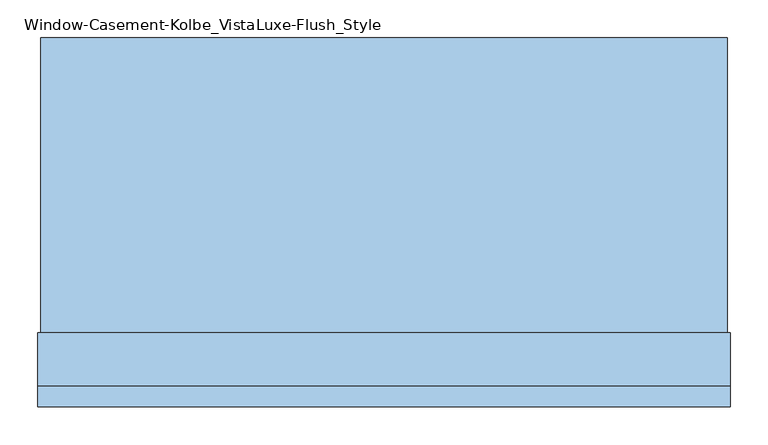
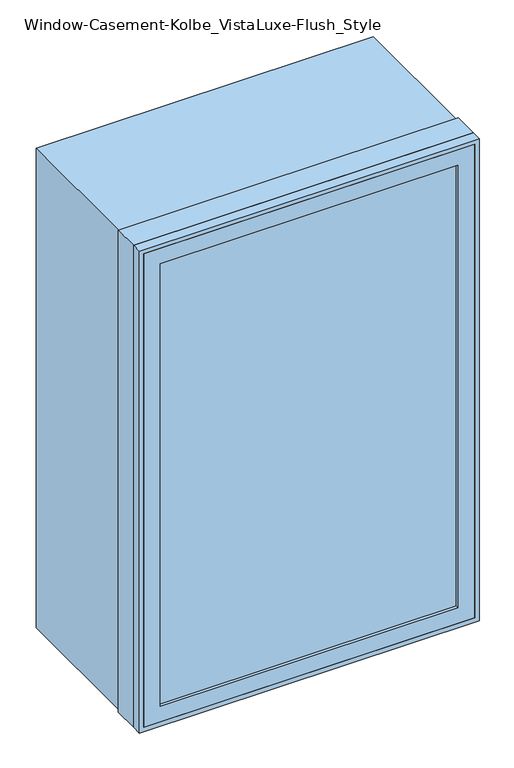
"""IFC4 building model written with IfcOpenShell, lengths in millimetres: window geometry, Window-Casement-Kolbe_VistaLuxe-Flush_Style."""

from ifc_helpers import new_model, si_unit, frame, origin, place, context, project, spatial, polyline, outline, extrude, faceted_brep, source, transform, mapped, element, save


def window_casement_kolbe_vistaluxe_flush_style_51a6f710(model_context):
    return source(origin(), model_context, "Body", "SolidModel", [
        faceted_brep([(-406.4696599, -248.37898, 970.676875), (-406.4696599, -256.31648, 970.676875), (395.3765901, -256.31648, 970.676875), (395.3765901, -248.37898, 970.676875), (-422.3446599, -226.12858, 954.801875), (-422.3446599, -248.37898, 954.801875), (411.2515901, -248.37898, 954.801875), (411.2515901, -226.12858, 954.801875), (-406.4696599, -207.10398, 970.676875), (-406.4696599, -226.12858, 970.676875), (395.3765901, -226.12858, 970.676875), (395.3765901, -207.10398, 970.676875), (-450.9196599, -256.31648, 926.226875), (-450.9196599, -207.10398, 926.226875), (439.8265901, -207.10398, 926.226875), (439.8265901, -256.31648, 926.226875), (395.3765901, -256.31648, 2229.723125), (395.3765901, -248.37898, 2229.723125), (411.2515901, -248.37898, 2245.598125), (411.2515901, -226.12858, 2245.598125), (395.3765901, -226.12858, 2229.723125), (395.3765901, -207.10398, 2229.723125), (439.8265901, -207.10398, 2274.173125), (439.8265901, -256.31648, 2274.173125), (-406.4696599, -256.31648, 2229.723125), (-406.4696599, -248.37898, 2229.723125), (-422.3446599, -248.37898, 2245.598125), (-422.3446599, -226.12858, 2245.598125), (-406.4696599, -226.12858, 2229.723125), (-406.4696599, -207.10398, 2229.723125), (-450.9196599, -207.10398, 2274.173125), (-450.9196599, -256.31648, 2274.173125)], [[[0, 1, 2, 3]], [[4, 5, 6, 7]], [[8, 9, 10, 11]], [[12, 13, 14, 15]], [[3, 2, 16, 17]], [[7, 6, 18, 19]], [[11, 10, 20, 21]], [[15, 14, 22, 23]], [[17, 16, 24, 25]], [[19, 18, 26, 27]], [[21, 20, 28, 29]], [[23, 22, 30, 31]], [[25, 24, 1, 0]], [[5, 26, 18, 6], [3, 17, 25, 0]], [[27, 26, 5, 4]], [[7, 19, 27, 4], [9, 28, 20, 10]], [[29, 28, 9, 8]], [[13, 30, 22, 14], [11, 21, 29, 8]], [[31, 30, 13, 12]], [[15, 23, 31, 12], [1, 24, 16, 2]]]),
        extrude(outline(polyline([(2282.4186, 448.0720651), (2282.4186, -459.1651349), (917.9814, -459.1651349), (917.9814, 448.0720651), (2282.4186, 448.0720651)]), holes=[polyline([(936.545625, 429.5078401), (936.545625, -440.6009099), (2263.854375, -440.6009099), (2263.854375, 429.5078401), (936.545625, 429.5078401)])]), frame((0.0, -159.5247, 0.0), z_axis=(0.0, 1.0, 0.0), x_axis=(0.0, 0.0, 1.0)), (0.0, 0.0, 1.0), 389.7122),
        extrude(outline(polyline([(2286.0, -462.7465349), (914.4, -462.7465349), (914.4, 451.6534651), (2286.0, 451.6534651), (2286.0, -462.7465349)]), holes=[polyline([(2274.173125, 439.8265901), (926.226875, 439.8265901), (926.226875, -450.9196599), (2274.173125, -450.9196599), (2274.173125, 439.8265901)])]), frame((0.0, -257.1115, 0.0), z_axis=(0.0, 1.0, 0.0), x_axis=(0.0, 0.0, 1.0)), (0.0, 0.0, 1.0), 26.924),
        faceted_brep([(451.6534651, -159.5247, 914.4), (451.6534651, -230.1875, 914.4), (-462.7465349, -230.1875, 914.4), (-462.7465349, -159.5247, 914.4), (429.5078401, -207.10525, 936.545625), (429.5078401, -159.5247, 936.545625), (-440.6009099, -159.5247, 936.545625), (-440.6009099, -207.10525, 936.545625), (439.8265901, -230.1875, 926.226875), (439.8265901, -207.10525, 926.226875), (-450.9196599, -207.10525, 926.226875), (-450.9196599, -230.1875, 926.226875), (-462.7465349, -230.1875, 2286.0), (-462.7465349, -159.5247, 2286.0), (-440.6009099, -159.5247, 2263.854375), (-440.6009099, -207.10525, 2263.854375), (-450.9196599, -207.10525, 2274.173125), (-450.9196599, -230.1875, 2274.173125), (451.6534651, -230.1875, 2286.0), (451.6534651, -159.5247, 2286.0), (429.5078401, -159.5247, 2263.854375), (429.5078401, -207.10525, 2263.854375), (439.8265901, -207.10525, 2274.173125), (439.8265901, -230.1875, 2274.173125)], [[[0, 1, 2, 3]], [[4, 5, 6, 7]], [[8, 9, 10, 11]], [[3, 2, 12, 13]], [[7, 6, 14, 15]], [[11, 10, 16, 17]], [[13, 12, 18, 19]], [[15, 14, 20, 21]], [[17, 16, 22, 23]], [[19, 18, 1, 0]], [[3, 13, 19, 0], [5, 20, 14, 6]], [[21, 20, 5, 4]], [[9, 22, 16, 10], [7, 15, 21, 4]], [[23, 22, 9, 8]], [[1, 18, 12, 2], [11, 17, 23, 8]]]),
        extrude(outline(polyline([(408.0765901, -229.30358), (-419.1696599, -229.30358), (-419.1696599, -226.12858), (408.0765901, -226.12858), (408.0765901, -229.30358)])), frame((0.0, 0.0, 957.976875), z_axis=(0.0, 0.0, 1.0), x_axis=(1.0, 0.0, 0.0)), (0.0, 0.0, 1.0), 1284.44625),
        extrude(outline(polyline([(408.0765901, -245.20398), (408.0765901, -248.37898), (-419.1696599, -248.37898), (-419.1696599, -245.20398), (408.0765901, -245.20398)])), frame((0.0, 0.0, 957.976875), z_axis=(0.0, 0.0, 1.0), x_axis=(1.0, 0.0, 0.0)), (0.0, 0.0, 1.0), 1284.44625),
        extrude(outline(polyline([(936.545625, 429.5078401), (2263.854375, 429.5078401), (2263.854375, -440.6009099), (936.545625, -440.6009099), (936.545625, 429.5078401)]), holes=[polyline([(954.801875, -422.3446599), (2245.598125, -422.3446599), (2245.598125, 411.2515901), (954.801875, 411.2515901), (954.801875, -422.3446599)])]), frame((0.0, -207.10525, 0.0), z_axis=(0.0, 1.0, 0.0), x_axis=(0.0, 0.0, 1.0)), (0.0, 0.0, 1.0), 50.8),
    ])


if __name__ == "__main__":
    model = new_model("IFC4")
    model_context = context("Model", 3, world=origin())
    ifc_project = project(units=[si_unit("LENGTHUNIT", "METRE", prefix="MILLI")], contexts=[model_context])
    site = spatial("IfcSite", under=ifc_project)
    building = spatial("IfcBuilding", under=site)
    placement = place(None, origin())
    window_casement_kolbe_vistaluxe_flush_style_shape = window_casement_kolbe_vistaluxe_flush_style_51a6f710(model_context)
    element("IfcWindow", 1, ObjectType="Window-Casement-Kolbe_VistaLuxe-Flush_Style", at=placement, inside=building, context=model_context, shape_type="MappedRepresentation", body=[
        mapped(window_casement_kolbe_vistaluxe_flush_style_shape, transform((0.0, 0.0, 0.0), x_axis=(1.0, 0.0, 0.0), y_axis=(0.0, 1.0, 0.0), z_axis=(0.0, 0.0, 1.0))),
    ])
    save(model, "model.ifc")
